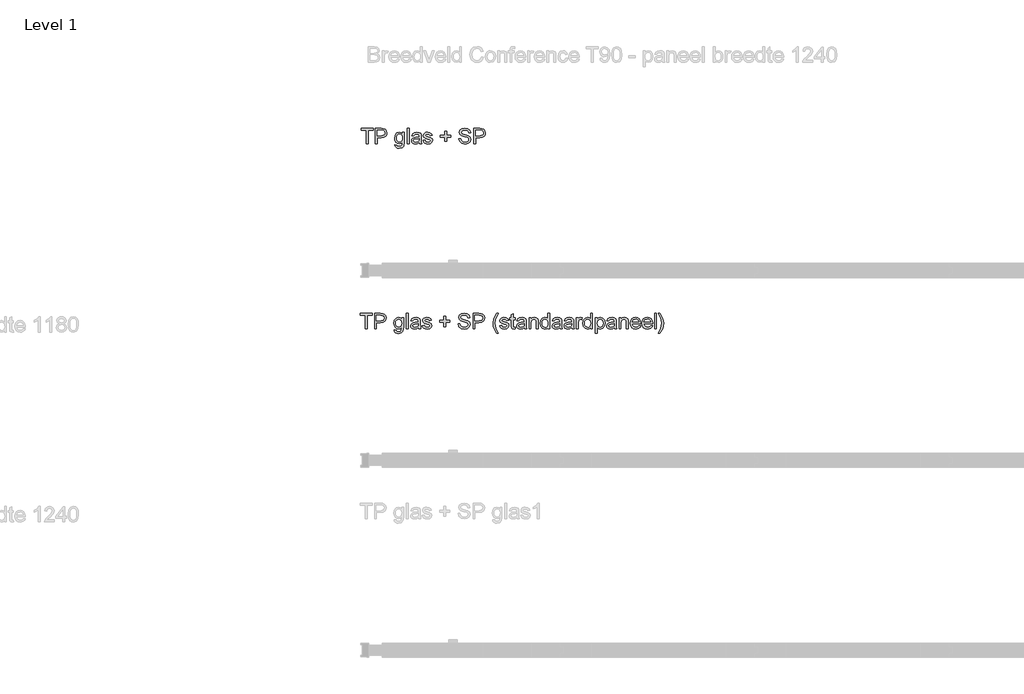
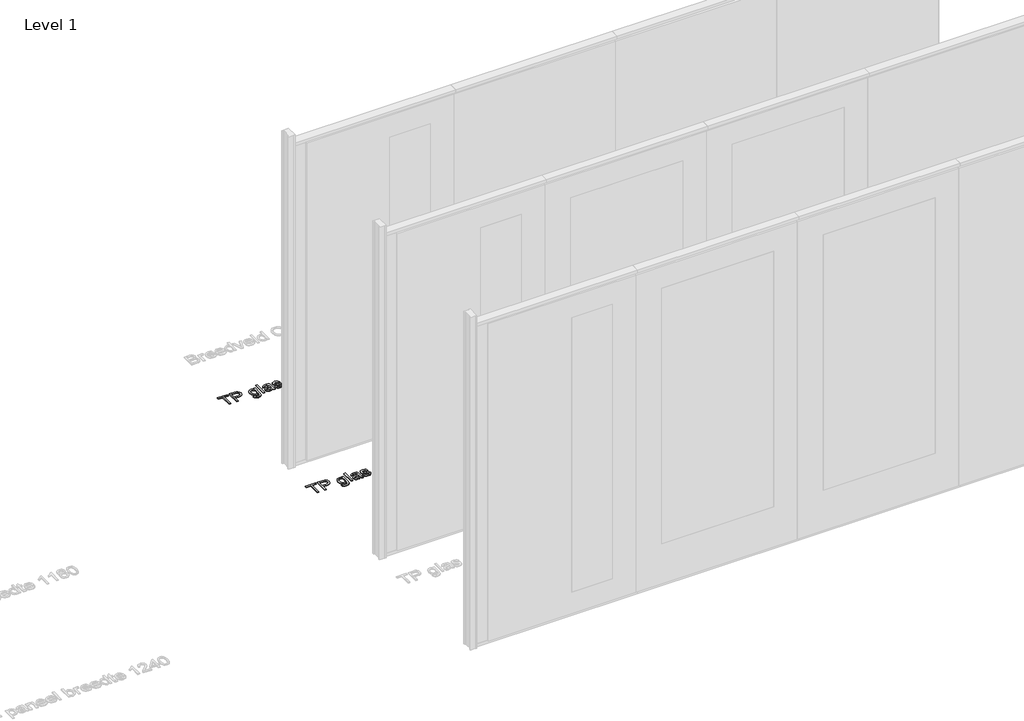
# One storey, part 9 of 17: 2 proxies.
"""IFC4 building model written with IfcOpenShell, lengths in millimetres."""

from ifc_helpers import new_model, si_unit, origin, origin_with_axes, place, context, project, spatial, polyline, outline, extrude, element, save

model = new_model("IFC4")

# Units and contexts
model_context = context("Model", 3, world=origin())
ifc_project = project(units=[si_unit("LENGTHUNIT", "METRE", prefix="MILLI")], contexts=[model_context])

# Site, building, storey
site = spatial("IfcSite", under=ifc_project)
building = spatial("IfcBuilding", under=site)
storey = spatial("IfcBuildingStorey", under=building, Name="Level 1", Elevation=0.0)

# Proxies
placement = place(None, origin())
element("IfcBuildingElementProxy", 1, Name="100 mm", ObjectType="100 mm", at=placement, inside=storey, context=model_context, shape_type="SweptSolid", body=[
    extrude(outline(polyline([(-12484.5064356, 5322.9102169), (-12484.5064356, 5409.0640631), (-12516.8141279, 5409.0640631), (-12516.8141279, 5421.3717554), (-12439.891051, 5421.3717554), (-12439.891051, 5409.0640631), (-12472.1987433, 5409.0640631), (-12472.1987433, 5322.9102169), (-12484.5064356, 5322.9102169)])), origin_with_axes(), (0.0, 0.0, 1.0), 5.0),
    extrude(outline(polyline([(-12426.0448971, 5322.9102169), (-12426.0448971, 5421.3717554), (-12389.5545125, 5421.3717554), (-12374.842974, 5420.4342554), (-12362.8838394, 5415.83089), (-12355.1314356, 5406.3116592), (-12352.1987433, 5392.8861784), (-12354.1789115, 5381.2816111), (-12360.1194164, 5371.61214), (-12371.2281904, 5365.0856977), (-12388.7131664, 5362.9102169), (-12413.7372048, 5362.9102169), (-12413.7372048, 5322.9102169), (-12426.0448971, 5322.9102169)]), holes=[polyline([(-12413.7372048, 5375.2179092), (-12387.9920125, 5375.2179092), (-12369.8670125, 5379.73714), (-12365.8465798, 5385.1758419), (-12364.5064356, 5392.4534861), (-12367.6674933, 5402.6457938), (-12375.9727817, 5408.2227169), (-12388.280474, 5409.0640631), (-12413.7372048, 5409.0640631), (-12413.7372048, 5375.2179092)])]), origin_with_axes(), (0.0, 0.0, 1.0), 5.0),
    extrude(outline(polyline([(-12301.4295125, 5316.7563707), (-12289.1218202, 5315.2179092), (-12285.1314356, 5308.7275246), (-12273.1843202, 5305.98714), (-12260.5881664, 5309.0881015), (-12254.578551, 5317.7900246), (-12253.7372048, 5332.1409861), (-12262.4030702, 5325.2179092), (-12272.967974, 5322.9102169), (-12285.6572769, 5325.596515), (-12295.1194164, 5333.6554092), (-12301.0058346, 5345.4703131), (-12302.967974, 5359.42464), (-12299.4463394, 5378.4991592), (-12289.2540317, 5391.9967554), (-12273.5689356, 5396.7563707), (-12262.5893683, 5394.0640631), (-12253.7372048, 5385.98714), (-12253.7372048, 5395.2179092), (-12241.4295125, 5395.2179092), (-12241.4295125, 5332.7900246), (-12244.7948971, 5308.8837746), (-12255.4559548, 5297.7659861), (-12273.4247048, 5293.6794477), (-12284.8760269, 5295.1187506), (-12293.8934548, 5299.4366592), (-12299.6777096, 5306.6451929), (-12301.4295125, 5316.7563707)]), holes=[polyline([(-12290.6602817, 5360.2659861), (-12289.3471808, 5348.9769236), (-12285.4078779, 5341.2155054), (-12279.4854019, 5336.7173082), (-12272.2227817, 5335.2179092), (-12265.0142481, 5336.7082938), (-12259.061724, 5341.1794477), (-12255.0683346, 5348.8417073), (-12253.7372048, 5359.9054092), (-12255.1073971, 5370.5754813), (-12259.217974, 5378.2587746), (-12265.2576375, 5382.9012025), (-12272.4150894, 5384.4486784), (-12279.4433346, 5382.9252409), (-12285.3357625, 5378.3549284), (-12289.3291519, 5370.7858179), (-12290.6602817, 5360.2659861)])]), origin_with_axes(), (0.0, 0.0, 1.0), 5.0),
    extrude(outline(polyline([(-12222.967974, 5322.9102169), (-12222.967974, 5421.3717554), (-12210.6602817, 5421.3717554), (-12210.6602817, 5322.9102169), (-12222.967974, 5322.9102169)])), origin_with_axes(), (0.0, 0.0, 1.0), 5.0),
    extrude(outline(polyline([(-12146.0448971, 5332.1409861), (-12157.9799933, 5323.79964), (-12171.1650894, 5321.3717554), (-12181.4505462, 5322.8320919), (-12189.0376856, 5327.2131015), (-12193.7161712, 5333.8657457), (-12195.2756664, 5342.1409861), (-12192.9198971, 5351.8765631), (-12186.7299933, 5358.9438707), (-12178.1122048, 5362.9823323), (-12167.4631664, 5364.8332938), (-12146.1170125, 5369.0640631), (-12146.0448971, 5371.8044477), (-12149.4343202, 5380.8909861), (-12163.0400894, 5384.4486784), (-12175.4920125, 5382.08089), (-12181.4295125, 5373.6794477), (-12193.7372048, 5375.2179092), (-12188.4126856, 5387.23714), (-12177.6915317, 5394.2804092), (-12161.453551, 5396.7563707), (-12146.5376856, 5394.5688707), (-12138.1122048, 5389.0760823), (-12134.3381664, 5380.7227169), (-12133.7372048, 5369.9534861), (-12133.7372048, 5354.6409861), (-12133.1122048, 5333.2587746), (-12130.6602817, 5322.9102169), (-12142.967974, 5322.9102169), (-12146.0448971, 5332.1409861)]), holes=[polyline([(-12146.0448971, 5356.7563707), (-12165.9006664, 5352.9823323), (-12176.4896087, 5350.98714), (-12181.2852817, 5347.7419477), (-12182.967974, 5343.0063707), (-12179.3021087, 5336.3477169), (-12168.5448971, 5333.6794477), (-12156.092974, 5336.6241592), (-12148.0641279, 5343.7515631), (-12146.1170125, 5353.2707938), (-12146.0448971, 5356.7563707)])]), origin_with_axes(), (0.0, 0.0, 1.0), 5.0),
    extrude(outline(polyline([(-12121.4295125, 5344.4486784), (-12109.1218202, 5345.98714), (-12103.4247048, 5336.8525246), (-12090.3718202, 5333.6794477), (-12077.8237433, 5336.5881015), (-12073.7372048, 5343.4150246), (-12077.8477817, 5348.9438707), (-12090.516051, 5352.4534861), (-12109.0497048, 5358.4751207), (-12117.1386471, 5365.5063707), (-12119.891051, 5375.4342554), (-12117.6795125, 5384.6049284), (-12111.6458587, 5391.61214), (-12103.8213394, 5395.2539669), (-12093.2323971, 5396.7563707), (-12078.2564356, 5394.3405054), (-12068.7372048, 5387.8020438), (-12064.5064356, 5376.7563707), (-12076.8141279, 5375.2179092), (-12081.4415317, 5382.0087746), (-12092.2708587, 5384.4486784), (-12104.0497048, 5382.1169477), (-12107.5833587, 5376.6842554), (-12106.1170125, 5373.1025246), (-12101.5256664, 5370.3861784), (-12090.9247048, 5367.7659861), (-12072.859801, 5361.9727169), (-12064.4703779, 5355.4102169), (-12061.4295125, 5344.7131015), (-12064.999224, 5332.9342554), (-12075.2997048, 5324.3885823), (-12090.5400894, 5321.3717554), (-12102.9499452, 5322.8260823), (-12112.0064356, 5327.1890631), (-12118.0521087, 5334.4126207), (-12121.4295125, 5344.4486784)])), origin_with_axes(), (0.0, 0.0, 1.0), 5.0),
    extrude(outline(polyline([(-11984.5064356, 5338.2948323), (-11984.5064356, 5364.4486784), (-12010.6602817, 5364.4486784), (-12010.6602817, 5376.7563707), (-11984.5064356, 5376.7563707), (-11984.5064356, 5402.9102169), (-11972.1987433, 5402.9102169), (-11972.1987433, 5376.7563707), (-11946.0448971, 5376.7563707), (-11946.0448971, 5364.4486784), (-11972.1987433, 5364.4486784), (-11972.1987433, 5338.2948323), (-11984.5064356, 5338.2948323)])), origin_with_axes(), (0.0, 0.0, 1.0), 5.0),
    extrude(outline(polyline([(-11893.7372048, 5356.7563707), (-11881.4295125, 5356.7563707), (-11877.4631664, 5344.4366592), (-11867.7756664, 5336.6481977), (-11853.016051, 5333.6794477), (-11840.155474, 5335.9270438), (-11831.8501856, 5342.1049284), (-11829.1218202, 5350.36214), (-11831.1650894, 5358.0424284), (-11839.530474, 5363.6313707), (-11857.4511471, 5368.33089), (-11876.7420125, 5374.4006015), (-11887.2107625, 5383.5592554), (-11890.6602817, 5395.7948323), (-11886.3934548, 5409.7251207), (-11873.9295125, 5419.5568515), (-11855.6843202, 5422.9102169), (-11836.2131664, 5419.4006015), (-11823.2323971, 5409.0881015), (-11818.3525894, 5393.6794477), (-11830.6602817, 5393.6794477), (-11837.6314356, 5406.3236784), (-11855.203551, 5410.6025246), (-11872.8237433, 5406.3717554), (-11878.3525894, 5396.1554092), (-11874.4343202, 5387.6217554), (-11854.3381664, 5380.7467554), (-11832.5593202, 5374.5688707), (-11820.6482625, 5364.5929092), (-11816.8141279, 5350.67464), (-11821.2251856, 5335.9510823), (-11833.9174933, 5325.20589), (-11852.5352817, 5321.3717554), (-11874.5184548, 5325.5063707), (-11888.4247048, 5337.9582938), (-11893.7372048, 5356.7563707)])), origin_with_axes(), (0.0, 0.0, 1.0), 5.0),
    extrude(outline(polyline([(-11798.3525894, 5322.9102169), (-11798.3525894, 5421.3717554), (-11761.8622048, 5421.3717554), (-11747.1506664, 5420.4342554), (-11735.1915317, 5415.83089), (-11727.4391279, 5406.3116592), (-11724.5064356, 5392.8861784), (-11726.4866039, 5381.2816111), (-11732.4271087, 5371.61214), (-11743.5358827, 5365.0856977), (-11761.0208587, 5362.9102169), (-11786.0448971, 5362.9102169), (-11786.0448971, 5322.9102169), (-11798.3525894, 5322.9102169)]), holes=[polyline([(-11786.0448971, 5375.2179092), (-11760.2997048, 5375.2179092), (-11742.1747048, 5379.73714), (-11738.1542721, 5385.1758419), (-11736.8141279, 5392.4534861), (-11739.9751856, 5402.6457938), (-11748.280474, 5408.2227169), (-11760.5881664, 5409.0640631), (-11786.0448971, 5409.0640631), (-11786.0448971, 5375.2179092)])]), origin_with_axes(), (0.0, 0.0, 1.0), 5.0),
])
element("IfcBuildingElementProxy", 2, Name="100 mm", ObjectType="100 mm", at=placement, inside=storey, context=model_context, shape_type="SweptSolid", body=[
    extrude(outline(polyline([(-12489.5064356, 4142.9418082), (-12489.5064356, 4229.0956544), (-12521.8141279, 4229.0956544), (-12521.8141279, 4241.4033467), (-12444.891051, 4241.4033467), (-12444.891051, 4229.0956544), (-12477.1987433, 4229.0956544), (-12477.1987433, 4142.9418082), (-12489.5064356, 4142.9418082)])), origin_with_axes(), (0.0, 0.0, 1.0), 5.0),
    extrude(outline(polyline([(-12431.0448971, 4142.9418082), (-12431.0448971, 4241.4033467), (-12394.5545125, 4241.4033467), (-12379.842974, 4240.4658467), (-12367.8838394, 4235.8624813), (-12360.1314356, 4226.3432505), (-12357.1987433, 4212.9177698), (-12359.1789115, 4201.3132025), (-12365.1194164, 4191.6437313), (-12376.2281904, 4185.117289), (-12393.7131664, 4182.9418082), (-12418.7372048, 4182.9418082), (-12418.7372048, 4142.9418082), (-12431.0448971, 4142.9418082)]), holes=[polyline([(-12418.7372048, 4195.2495005), (-12392.9920125, 4195.2495005), (-12374.8670125, 4199.7687313), (-12370.8465798, 4205.2074332), (-12369.5064356, 4212.4850775), (-12372.6674933, 4222.6773852), (-12380.9727817, 4228.2543082), (-12393.280474, 4229.0956544), (-12418.7372048, 4229.0956544), (-12418.7372048, 4195.2495005)])]), origin_with_axes(), (0.0, 0.0, 1.0), 5.0),
    extrude(outline(polyline([(-12306.4295125, 4136.7879621), (-12294.1218202, 4135.2495005), (-12290.1314356, 4128.7591159), (-12278.1843202, 4126.0187313), (-12265.5881664, 4129.1196929), (-12259.578551, 4137.8216159), (-12258.7372048, 4152.1725775), (-12267.4030702, 4145.2495005), (-12277.967974, 4142.9418082), (-12290.6572769, 4145.6281063), (-12300.1194164, 4153.6870005), (-12306.0058346, 4165.5019044), (-12307.967974, 4179.4562313), (-12304.4463394, 4198.5307505), (-12294.2540317, 4212.0283467), (-12278.5689356, 4216.7879621), (-12267.5893683, 4214.0956544), (-12258.7372048, 4206.0187313), (-12258.7372048, 4215.2495005), (-12246.4295125, 4215.2495005), (-12246.4295125, 4152.8216159), (-12249.7948971, 4128.9153659), (-12260.4559548, 4117.7975775), (-12278.4247048, 4113.711039), (-12289.8760269, 4115.1503419), (-12298.8934548, 4119.4682505), (-12304.6777096, 4126.6767842), (-12306.4295125, 4136.7879621)]), holes=[polyline([(-12295.6602817, 4180.2975775), (-12294.3471808, 4169.008515), (-12290.4078779, 4161.2470967), (-12284.4854019, 4156.7488996), (-12277.2227817, 4155.2495005), (-12270.0142481, 4156.7398852), (-12264.061724, 4161.211039), (-12260.0683346, 4168.8732986), (-12258.7372048, 4179.9370005), (-12260.1073971, 4190.6070727), (-12264.217974, 4198.2903659), (-12270.2576375, 4202.9327938), (-12277.4150894, 4204.4802698), (-12284.4433346, 4202.9568323), (-12290.3357625, 4198.3865198), (-12294.3291519, 4190.8174092), (-12295.6602817, 4180.2975775)])]), origin_with_axes(), (0.0, 0.0, 1.0), 5.0),
    extrude(outline(polyline([(-12227.967974, 4142.9418082), (-12227.967974, 4241.4033467), (-12215.6602817, 4241.4033467), (-12215.6602817, 4142.9418082), (-12227.967974, 4142.9418082)])), origin_with_axes(), (0.0, 0.0, 1.0), 5.0),
    extrude(outline(polyline([(-12151.0448971, 4152.1725775), (-12162.9799933, 4143.8312313), (-12176.1650894, 4141.4033467), (-12186.4505462, 4142.8636832), (-12194.0376856, 4147.2446929), (-12198.7161712, 4153.8973371), (-12200.2756664, 4162.1725775), (-12197.9198971, 4171.9081544), (-12191.7299933, 4178.9754621), (-12183.1122048, 4183.0139236), (-12172.4631664, 4184.8648852), (-12151.1170125, 4189.0956544), (-12151.0448971, 4191.836039), (-12154.4343202, 4200.9225775), (-12168.0400894, 4204.4802698), (-12180.4920125, 4202.1124813), (-12186.4295125, 4193.711039), (-12198.7372048, 4195.2495005), (-12193.4126856, 4207.2687313), (-12182.6915317, 4214.3120005), (-12166.453551, 4216.7879621), (-12151.5376856, 4214.6004621), (-12143.1122048, 4209.1076736), (-12139.3381664, 4200.7543082), (-12138.7372048, 4189.9850775), (-12138.7372048, 4174.6725775), (-12138.1122048, 4153.2903659), (-12135.6602817, 4142.9418082), (-12147.967974, 4142.9418082), (-12151.0448971, 4152.1725775)]), holes=[polyline([(-12151.0448971, 4176.7879621), (-12170.9006664, 4173.0139236), (-12181.4896087, 4171.0187313), (-12186.2852817, 4167.773539), (-12187.967974, 4163.0379621), (-12184.3021087, 4156.3793082), (-12173.5448971, 4153.711039), (-12161.092974, 4156.6557505), (-12153.0641279, 4163.7831544), (-12151.1170125, 4173.3023852), (-12151.0448971, 4176.7879621)])]), origin_with_axes(), (0.0, 0.0, 1.0), 5.0),
    extrude(outline(polyline([(-12126.4295125, 4164.4802698), (-12114.1218202, 4166.0187313), (-12108.4247048, 4156.8841159), (-12095.3718202, 4153.711039), (-12082.8237433, 4156.6196929), (-12078.7372048, 4163.4466159), (-12082.8477817, 4168.9754621), (-12095.516051, 4172.4850775), (-12114.0497048, 4178.5067121), (-12122.1386471, 4185.5379621), (-12124.891051, 4195.4658467), (-12122.6795125, 4204.6365198), (-12116.6458587, 4211.6437313), (-12108.8213394, 4215.2855582), (-12098.2323971, 4216.7879621), (-12083.2564356, 4214.3720967), (-12073.7372048, 4207.8336352), (-12069.5064356, 4196.7879621), (-12081.8141279, 4195.2495005), (-12086.4415317, 4202.0403659), (-12097.2708587, 4204.4802698), (-12109.0497048, 4202.148539), (-12112.5833587, 4196.7158467), (-12111.1170125, 4193.1341159), (-12106.5256664, 4190.4177698), (-12095.9247048, 4187.7975775), (-12077.859801, 4182.0043082), (-12069.4703779, 4175.4418082), (-12066.4295125, 4164.7446929), (-12069.999224, 4152.9658467), (-12080.2997048, 4144.4201736), (-12095.5400894, 4141.4033467), (-12107.9499452, 4142.8576736), (-12117.0064356, 4147.2206544), (-12123.0521087, 4154.4442121), (-12126.4295125, 4164.4802698)])), origin_with_axes(), (0.0, 0.0, 1.0), 5.0),
    extrude(outline(polyline([(-11989.5064356, 4158.3264236), (-11989.5064356, 4184.4802698), (-12015.6602817, 4184.4802698), (-12015.6602817, 4196.7879621), (-11989.5064356, 4196.7879621), (-11989.5064356, 4222.9418082), (-11977.1987433, 4222.9418082), (-11977.1987433, 4196.7879621), (-11951.0448971, 4196.7879621), (-11951.0448971, 4184.4802698), (-11977.1987433, 4184.4802698), (-11977.1987433, 4158.3264236), (-11989.5064356, 4158.3264236)])), origin_with_axes(), (0.0, 0.0, 1.0), 5.0),
    extrude(outline(polyline([(-11898.7372048, 4176.7879621), (-11886.4295125, 4176.7879621), (-11882.4631664, 4164.4682505), (-11872.7756664, 4156.679789), (-11858.016051, 4153.711039), (-11845.155474, 4155.9586352), (-11836.8501856, 4162.1365198), (-11834.1218202, 4170.3937313), (-11836.1650894, 4178.0740198), (-11844.530474, 4183.6629621), (-11862.4511471, 4188.3624813), (-11881.7420125, 4194.4321929), (-11892.2107625, 4203.5908467), (-11895.6602817, 4215.8264236), (-11891.3934548, 4229.7567121), (-11878.9295125, 4239.5884429), (-11860.6843202, 4242.9418082), (-11841.2131664, 4239.4321929), (-11828.2323971, 4229.1196929), (-11823.3525894, 4213.711039), (-11835.6602817, 4213.711039), (-11842.6314356, 4226.3552698), (-11860.203551, 4230.6341159), (-11877.8237433, 4226.4033467), (-11883.3525894, 4216.1870005), (-11879.4343202, 4207.6533467), (-11859.3381664, 4200.7783467), (-11837.5593202, 4194.6004621), (-11825.6482625, 4184.6245005), (-11821.8141279, 4170.7062313), (-11826.2251856, 4155.9826736), (-11838.9174933, 4145.2374813), (-11857.5352817, 4141.4033467), (-11879.5184548, 4145.5379621), (-11893.4247048, 4157.9898852), (-11898.7372048, 4176.7879621)])), origin_with_axes(), (0.0, 0.0, 1.0), 5.0),
    extrude(outline(polyline([(-11803.3525894, 4142.9418082), (-11803.3525894, 4241.4033467), (-11766.8622048, 4241.4033467), (-11752.1506664, 4240.4658467), (-11740.1915317, 4235.8624813), (-11732.4391279, 4226.3432505), (-11729.5064356, 4212.9177698), (-11731.4866039, 4201.3132025), (-11737.4271087, 4191.6437313), (-11748.5358827, 4185.117289), (-11766.0208587, 4182.9418082), (-11791.0448971, 4182.9418082), (-11791.0448971, 4142.9418082), (-11803.3525894, 4142.9418082)]), holes=[polyline([(-11791.0448971, 4195.2495005), (-11765.2997048, 4195.2495005), (-11747.1747048, 4199.7687313), (-11743.1542721, 4205.2074332), (-11741.8141279, 4212.4850775), (-11744.9751856, 4222.6773852), (-11753.280474, 4228.2543082), (-11765.5881664, 4229.0956544), (-11791.0448971, 4229.0956544), (-11791.0448971, 4195.2495005)])]), origin_with_axes(), (0.0, 0.0, 1.0), 5.0),
    extrude(outline(polyline([(-11651.0448971, 4115.2495005), (-11668.5208587, 4144.1196929), (-11673.875426, 4160.9586352), (-11675.6602817, 4178.398539), (-11670.3237433, 4208.3264236), (-11651.0448971, 4241.4033467), (-11641.8141279, 4241.4033467), (-11653.328551, 4221.9081544), (-11660.2516279, 4203.0139236), (-11663.3525894, 4178.3264236), (-11657.967974, 4146.7759429), (-11641.8141279, 4115.2495005), (-11651.0448971, 4115.2495005)])), origin_with_axes(), (0.0, 0.0, 1.0), 5.0),
    extrude(outline(polyline([(-11634.1218202, 4164.4802698), (-11621.8141279, 4166.0187313), (-11616.1170125, 4156.8841159), (-11603.0641279, 4153.711039), (-11590.516051, 4156.6196929), (-11586.4295125, 4163.4466159), (-11590.5400894, 4168.9754621), (-11603.2083587, 4172.4850775), (-11621.7420125, 4178.5067121), (-11629.8309548, 4185.5379621), (-11632.5833587, 4195.4658467), (-11630.3718202, 4204.6365198), (-11624.3381664, 4211.6437313), (-11616.5136471, 4215.2855582), (-11605.9247048, 4216.7879621), (-11590.9487433, 4214.3720967), (-11581.4295125, 4207.8336352), (-11577.1987433, 4196.7879621), (-11589.5064356, 4195.2495005), (-11594.1338394, 4202.0403659), (-11604.9631664, 4204.4802698), (-11616.7420125, 4202.148539), (-11620.2756664, 4196.7158467), (-11618.8093202, 4193.1341159), (-11614.217974, 4190.4177698), (-11603.6170125, 4187.7975775), (-11585.5521087, 4182.0043082), (-11577.1626856, 4175.4418082), (-11574.1218202, 4164.7446929), (-11577.6915317, 4152.9658467), (-11587.9920125, 4144.4201736), (-11603.2323971, 4141.4033467), (-11615.6422529, 4142.8576736), (-11624.6987433, 4147.2206544), (-11630.7444164, 4154.4442121), (-11634.1218202, 4164.4802698)])), origin_with_axes(), (0.0, 0.0, 1.0), 5.0),
    extrude(outline(polyline([(-11534.1218202, 4153.2062313), (-11532.5833587, 4142.5812313), (-11541.7900894, 4141.4033467), (-11552.1025894, 4143.4466159), (-11557.2468202, 4148.8071929), (-11558.7372048, 4162.773539), (-11558.7372048, 4202.9418082), (-11567.967974, 4202.9418082), (-11567.967974, 4215.2495005), (-11558.7372048, 4215.2495005), (-11558.7372048, 4232.8216159), (-11546.4295125, 4240.0571929), (-11546.4295125, 4215.2495005), (-11534.1218202, 4215.2495005), (-11534.1218202, 4202.9418082), (-11546.4295125, 4202.9418082), (-11546.4295125, 4163.1341159), (-11545.780474, 4156.7879621), (-11543.6771087, 4154.5403659), (-11539.4823971, 4153.711039), (-11534.1218202, 4153.2062313)])), origin_with_axes(), (0.0, 0.0, 1.0), 5.0),
    extrude(outline(polyline([(-11475.6602817, 4152.1725775), (-11487.5953779, 4143.8312313), (-11500.780474, 4141.4033467), (-11511.0659308, 4142.8636832), (-11518.6530702, 4147.2446929), (-11523.3315558, 4153.8973371), (-11524.891051, 4162.1725775), (-11522.5352817, 4171.9081544), (-11516.3453779, 4178.9754621), (-11507.7275894, 4183.0139236), (-11497.078551, 4184.8648852), (-11475.7323971, 4189.0956544), (-11475.6602817, 4191.836039), (-11479.0497048, 4200.9225775), (-11492.655474, 4204.4802698), (-11505.1073971, 4202.1124813), (-11511.0448971, 4193.711039), (-11523.3525894, 4195.2495005), (-11518.0280702, 4207.2687313), (-11507.3069164, 4214.3120005), (-11491.0689356, 4216.7879621), (-11476.1530702, 4214.6004621), (-11467.7275894, 4209.1076736), (-11463.953551, 4200.7543082), (-11463.3525894, 4189.9850775), (-11463.3525894, 4174.6725775), (-11462.7275894, 4153.2903659), (-11460.2756664, 4142.9418082), (-11472.5833587, 4142.9418082), (-11475.6602817, 4152.1725775)]), holes=[polyline([(-11475.6602817, 4176.7879621), (-11495.516051, 4173.0139236), (-11506.1049933, 4171.0187313), (-11510.9006664, 4167.773539), (-11512.5833587, 4163.0379621), (-11508.9174933, 4156.3793082), (-11498.1602817, 4153.711039), (-11485.7083587, 4156.6557505), (-11477.6795125, 4163.7831544), (-11475.7323971, 4173.3023852), (-11475.6602817, 4176.7879621)])]), origin_with_axes(), (0.0, 0.0, 1.0), 5.0),
    extrude(outline(polyline([(-11446.4295125, 4142.9418082), (-11446.4295125, 4215.2495005), (-11434.1218202, 4215.2495005), (-11434.1218202, 4205.1533467), (-11424.7107625, 4213.8793082), (-11411.8622048, 4216.7879621), (-11400.2396087, 4214.4442121), (-11392.3069164, 4208.2903659), (-11388.6170125, 4199.2398852), (-11387.967974, 4187.3408467), (-11387.967974, 4142.9418082), (-11400.2756664, 4142.9418082), (-11400.2756664, 4185.6821929), (-11401.6939356, 4196.5716159), (-11406.7059548, 4202.3288275), (-11415.155474, 4204.4802698), (-11428.5088394, 4199.648539), (-11432.718575, 4192.6473371), (-11434.1218202, 4181.3071929), (-11434.1218202, 4142.9418082), (-11446.4295125, 4142.9418082)])), origin_with_axes(), (0.0, 0.0, 1.0), 5.0),
    extrude(outline(polyline([(-11326.4295125, 4142.9418082), (-11326.4295125, 4154.5523852), (-11334.5725414, 4144.6906063), (-11345.828551, 4141.4033467), (-11361.0689356, 4146.1629621), (-11371.8381664, 4159.4442121), (-11375.6602817, 4179.023539), (-11372.1386471, 4198.6148852), (-11361.5857625, 4212.1004621), (-11345.8766279, 4216.7879621), (-11334.530474, 4213.4345967), (-11326.4295125, 4204.7206544), (-11326.4295125, 4241.4033467), (-11314.1218202, 4241.4033467), (-11314.1218202, 4142.9418082), (-11326.4295125, 4142.9418082)]), holes=[polyline([(-11363.3525894, 4179.0716159), (-11361.9643683, 4167.9388034), (-11357.7997048, 4160.0211352), (-11351.7480221, 4155.288563), (-11344.6987433, 4153.711039), (-11337.6524692, 4155.2164477), (-11331.7540317, 4159.7326736), (-11327.7606423, 4167.3438515), (-11326.4295125, 4178.1341159), (-11327.7846808, 4189.9309909), (-11331.8501856, 4198.1100775), (-11337.8988635, 4202.8877217), (-11345.203551, 4204.4802698), (-11352.3249452, 4202.9508227), (-11358.1602817, 4198.3624813), (-11362.0545125, 4190.4808707), (-11363.3525894, 4179.0716159)])]), origin_with_axes(), (0.0, 0.0, 1.0), 5.0),
    extrude(outline(polyline([(-11249.5064356, 4152.1725775), (-11261.4415317, 4143.8312313), (-11274.6266279, 4141.4033467), (-11284.9120846, 4142.8636832), (-11292.499224, 4147.2446929), (-11297.1777096, 4153.8973371), (-11298.7372048, 4162.1725775), (-11296.3814356, 4171.9081544), (-11290.1915317, 4178.9754621), (-11281.5737433, 4183.0139236), (-11270.9247048, 4184.8648852), (-11249.578551, 4189.0956544), (-11249.5064356, 4191.836039), (-11252.8958587, 4200.9225775), (-11266.5016279, 4204.4802698), (-11278.953551, 4202.1124813), (-11284.891051, 4193.711039), (-11297.1987433, 4195.2495005), (-11291.874224, 4207.2687313), (-11281.1530702, 4214.3120005), (-11264.9150894, 4216.7879621), (-11249.999224, 4214.6004621), (-11241.5737433, 4209.1076736), (-11237.7997048, 4200.7543082), (-11237.1987433, 4189.9850775), (-11237.1987433, 4174.6725775), (-11236.5737433, 4153.2903659), (-11234.1218202, 4142.9418082), (-11246.4295125, 4142.9418082), (-11249.5064356, 4152.1725775)]), holes=[polyline([(-11249.5064356, 4176.7879621), (-11269.3622048, 4173.0139236), (-11279.9511471, 4171.0187313), (-11284.7468202, 4167.773539), (-11286.4295125, 4163.0379621), (-11282.7636471, 4156.3793082), (-11272.0064356, 4153.711039), (-11259.5545125, 4156.6557505), (-11251.5256664, 4163.7831544), (-11249.578551, 4173.3023852), (-11249.5064356, 4176.7879621)])]), origin_with_axes(), (0.0, 0.0, 1.0), 5.0),
    extrude(outline(polyline([(-11174.1218202, 4152.1725775), (-11186.0569164, 4143.8312313), (-11199.2420125, 4141.4033467), (-11209.5274692, 4142.8636832), (-11217.1146087, 4147.2446929), (-11221.7930942, 4153.8973371), (-11223.3525894, 4162.1725775), (-11220.9968202, 4171.9081544), (-11214.8069164, 4178.9754621), (-11206.1891279, 4183.0139236), (-11195.5400894, 4184.8648852), (-11174.1939356, 4189.0956544), (-11174.1218202, 4191.836039), (-11177.5112433, 4200.9225775), (-11191.1170125, 4204.4802698), (-11203.5689356, 4202.1124813), (-11209.5064356, 4193.711039), (-11221.8141279, 4195.2495005), (-11216.4896087, 4207.2687313), (-11205.7684548, 4214.3120005), (-11189.530474, 4216.7879621), (-11174.6146087, 4214.6004621), (-11166.1891279, 4209.1076736), (-11162.4150894, 4200.7543082), (-11161.8141279, 4189.9850775), (-11161.8141279, 4174.6725775), (-11161.1891279, 4153.2903659), (-11158.7372048, 4142.9418082), (-11171.0448971, 4142.9418082), (-11174.1218202, 4152.1725775)]), holes=[polyline([(-11174.1218202, 4176.7879621), (-11193.9775894, 4173.0139236), (-11204.5665317, 4171.0187313), (-11209.3622048, 4167.773539), (-11211.0448971, 4163.0379621), (-11207.3790317, 4156.3793082), (-11196.6218202, 4153.711039), (-11184.1698971, 4156.6557505), (-11176.141051, 4163.7831544), (-11174.1939356, 4173.3023852), (-11174.1218202, 4176.7879621)])]), origin_with_axes(), (0.0, 0.0, 1.0), 5.0),
    extrude(outline(polyline([(-11144.891051, 4142.9418082), (-11144.891051, 4215.2495005), (-11134.1218202, 4215.2495005), (-11134.1218202, 4204.5523852), (-11126.4775894, 4214.4081544), (-11118.7852817, 4216.7879621), (-11106.4295125, 4212.9898852), (-11110.5400894, 4201.9562313), (-11119.1939356, 4204.4802698), (-11126.1530702, 4202.0523852), (-11130.5881664, 4195.3216159), (-11132.5833587, 4180.9466159), (-11132.5833587, 4142.9418082), (-11144.891051, 4142.9418082)])), origin_with_axes(), (0.0, 0.0, 1.0), 5.0),
    extrude(outline(polyline([(-11054.1218202, 4142.9418082), (-11054.1218202, 4154.5523852), (-11062.264849, 4144.6906063), (-11073.5208587, 4141.4033467), (-11088.7612433, 4146.1629621), (-11099.530474, 4159.4442121), (-11103.3525894, 4179.023539), (-11099.8309548, 4198.6148852), (-11089.2780702, 4212.1004621), (-11073.5689356, 4216.7879621), (-11062.2227817, 4213.4345967), (-11054.1218202, 4204.7206544), (-11054.1218202, 4241.4033467), (-11041.8141279, 4241.4033467), (-11041.8141279, 4142.9418082), (-11054.1218202, 4142.9418082)]), holes=[polyline([(-11091.0448971, 4179.0716159), (-11089.656676, 4167.9388034), (-11085.4920125, 4160.0211352), (-11079.4403298, 4155.288563), (-11072.391051, 4153.711039), (-11065.3447769, 4155.2164477), (-11059.4463394, 4159.7326736), (-11055.45295, 4167.3438515), (-11054.1218202, 4178.1341159), (-11055.4769885, 4189.9309909), (-11059.5424933, 4198.1100775), (-11065.5911712, 4202.8877217), (-11072.8958587, 4204.4802698), (-11080.0172529, 4202.9508227), (-11085.8525894, 4198.3624813), (-11089.7468202, 4190.4808707), (-11091.0448971, 4179.0716159)])]), origin_with_axes(), (0.0, 0.0, 1.0), 5.0),
    extrude(outline(polyline([(-11023.3525894, 4115.2495005), (-11023.3525894, 4215.2495005), (-11011.0448971, 4215.2495005), (-11011.0448971, 4203.1821929), (-11002.5352817, 4213.3865198), (-10991.0448971, 4216.7879621), (-10975.4439356, 4212.0283467), (-10965.2516279, 4198.6148852), (-10961.8141279, 4179.648539), (-10965.6963394, 4159.7086352), (-10976.9703779, 4146.1269044), (-10992.5352817, 4141.4033467), (-11003.2444164, 4144.5644044), (-11011.0448971, 4152.5571929), (-11011.0448971, 4115.2495005), (-11023.3525894, 4115.2495005)]), holes=[polyline([(-11011.0448971, 4178.5187313), (-11009.7137673, 4167.4850775), (-11005.7203779, 4159.7687313), (-10999.82795, 4155.2254621), (-10992.7997048, 4153.711039), (-10985.6572769, 4155.2795486), (-10979.6146087, 4159.9850775), (-10975.4950173, 4167.9838755), (-10974.1218202, 4179.4321929), (-10975.4619644, 4190.4057505), (-10979.4823971, 4198.2302698), (-10985.3658106, 4202.9177698), (-10992.2948971, 4204.4802698), (-10999.2510269, 4202.8186111), (-11005.359801, 4197.8336352), (-11009.6236231, 4189.6815919), (-11011.0448971, 4178.5187313)])]), origin_with_axes(), (0.0, 0.0, 1.0), 5.0),
    extrude(outline(polyline([(-10901.8141279, 4152.1725775), (-10913.749224, 4143.8312313), (-10926.9343202, 4141.4033467), (-10937.2197769, 4142.8636832), (-10944.8069164, 4147.2446929), (-10949.4854019, 4153.8973371), (-10951.0448971, 4162.1725775), (-10948.6891279, 4171.9081544), (-10942.499224, 4178.9754621), (-10933.8814356, 4183.0139236), (-10923.2323971, 4184.8648852), (-10901.8862433, 4189.0956544), (-10901.8141279, 4191.836039), (-10905.203551, 4200.9225775), (-10918.8093202, 4204.4802698), (-10931.2612433, 4202.1124813), (-10937.1987433, 4193.711039), (-10949.5064356, 4195.2495005), (-10944.1819164, 4207.2687313), (-10933.4607625, 4214.3120005), (-10917.2227817, 4216.7879621), (-10902.3069164, 4214.6004621), (-10893.8814356, 4209.1076736), (-10890.1073971, 4200.7543082), (-10889.5064356, 4189.9850775), (-10889.5064356, 4174.6725775), (-10888.8814356, 4153.2903659), (-10886.4295125, 4142.9418082), (-10898.7372048, 4142.9418082), (-10901.8141279, 4152.1725775)]), holes=[polyline([(-10901.8141279, 4176.7879621), (-10921.6698971, 4173.0139236), (-10932.2588394, 4171.0187313), (-10937.0545125, 4167.773539), (-10938.7372048, 4163.0379621), (-10935.0713394, 4156.3793082), (-10924.3141279, 4153.711039), (-10911.8622048, 4156.6557505), (-10903.8333587, 4163.7831544), (-10901.8862433, 4173.3023852), (-10901.8141279, 4176.7879621)])]), origin_with_axes(), (0.0, 0.0, 1.0), 5.0),
    extrude(outline(polyline([(-10872.5833587, 4142.9418082), (-10872.5833587, 4215.2495005), (-10860.2756664, 4215.2495005), (-10860.2756664, 4205.1533467), (-10850.8646087, 4213.8793082), (-10838.016051, 4216.7879621), (-10826.3934548, 4214.4442121), (-10818.4607625, 4208.2903659), (-10814.7708587, 4199.2398852), (-10814.1218202, 4187.3408467), (-10814.1218202, 4142.9418082), (-10826.4295125, 4142.9418082), (-10826.4295125, 4185.6821929), (-10827.8477817, 4196.5716159), (-10832.859801, 4202.3288275), (-10841.3093202, 4204.4802698), (-10854.6626856, 4199.648539), (-10858.8724212, 4192.6473371), (-10860.2756664, 4181.3071929), (-10860.2756664, 4142.9418082), (-10872.5833587, 4142.9418082)])), origin_with_axes(), (0.0, 0.0, 1.0), 5.0),
    extrude(outline(polyline([(-10746.5737433, 4164.4802698), (-10734.5064356, 4162.9418082), (-10738.8543923, 4153.8492602), (-10745.7924933, 4147.0523852), (-10755.1644885, 4142.8156063), (-10766.8141279, 4141.4033467), (-10781.2552337, 4143.8402457), (-10792.3670125, 4151.1509429), (-10799.452349, 4162.8606784), (-10801.8141279, 4178.4946929), (-10799.4283106, 4194.6545486), (-10792.2708587, 4206.7398852), (-10781.3093202, 4214.2759429), (-10767.5112433, 4216.7879621), (-10754.1428539, 4214.2819525), (-10743.4607625, 4206.7639236), (-10736.4565558, 4194.7026255), (-10734.1218202, 4178.5668082), (-10734.1939356, 4175.2495005), (-10789.5064356, 4175.2495005), (-10787.3760269, 4166.0367602), (-10782.4271087, 4159.2639236), (-10766.5737433, 4153.711039), (-10754.5064356, 4156.2831544), (-10746.5737433, 4164.4802698)]), holes=[polyline([(-10789.5064356, 4187.5571929), (-10746.4295125, 4187.5571929), (-10751.3573971, 4198.711039), (-10758.5328779, 4203.0379621), (-10767.5593202, 4204.4802698), (-10782.7155702, 4199.8769044), (-10789.5064356, 4187.5571929)])]), origin_with_axes(), (0.0, 0.0, 1.0), 5.0),
    extrude(outline(polyline([(-10671.1891279, 4164.4802698), (-10659.1218202, 4162.9418082), (-10663.4697769, 4153.8492602), (-10670.4078779, 4147.0523852), (-10679.7798731, 4142.8156063), (-10691.4295125, 4141.4033467), (-10705.8706183, 4143.8402457), (-10716.9823971, 4151.1509429), (-10724.0677337, 4162.8606784), (-10726.4295125, 4178.4946929), (-10724.0436952, 4194.6545486), (-10716.8862433, 4206.7398852), (-10705.9247048, 4214.2759429), (-10692.1266279, 4216.7879621), (-10678.7582385, 4214.2819525), (-10668.0761471, 4206.7639236), (-10661.0719404, 4194.7026255), (-10658.7372048, 4178.5668082), (-10658.8093202, 4175.2495005), (-10714.1218202, 4175.2495005), (-10711.9914115, 4166.0367602), (-10707.0424933, 4159.2639236), (-10691.1891279, 4153.711039), (-10679.1218202, 4156.2831544), (-10671.1891279, 4164.4802698)]), holes=[polyline([(-10714.1218202, 4187.5571929), (-10671.0448971, 4187.5571929), (-10675.9727817, 4198.711039), (-10683.1482625, 4203.0379621), (-10692.1747048, 4204.4802698), (-10707.3309548, 4199.8769044), (-10714.1218202, 4187.5571929)])]), origin_with_axes(), (0.0, 0.0, 1.0), 5.0),
    extrude(outline(polyline([(-10646.4295125, 4142.9418082), (-10646.4295125, 4241.4033467), (-10634.1218202, 4241.4033467), (-10634.1218202, 4142.9418082), (-10646.4295125, 4142.9418082)])), origin_with_axes(), (0.0, 0.0, 1.0), 5.0),
    extrude(outline(polyline([(-10612.5833587, 4115.2495005), (-10621.8141279, 4115.2495005), (-10605.6602817, 4146.7759429), (-10600.2756664, 4178.3264236), (-10603.3766279, 4202.7975775), (-10610.2275894, 4221.7158467), (-10621.8141279, 4241.4033467), (-10612.5833587, 4241.4033467), (-10593.3045125, 4208.3264236), (-10587.967974, 4178.398539), (-10589.7618442, 4160.9586352), (-10595.1434548, 4144.1196929), (-10612.5833587, 4115.2495005)])), origin_with_axes(), (0.0, 0.0, 1.0), 5.0),
])

save(model, "model.ifc")
